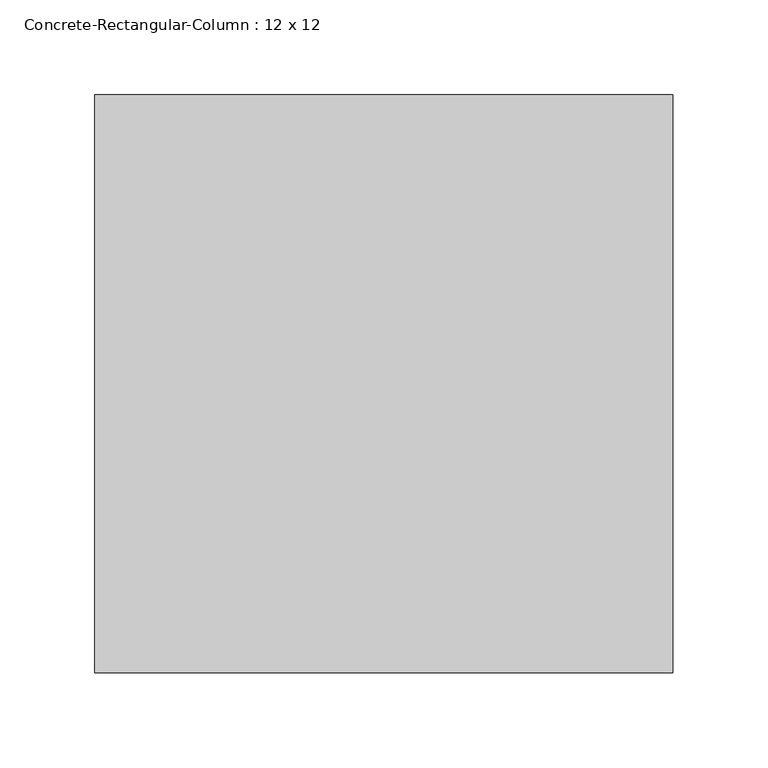
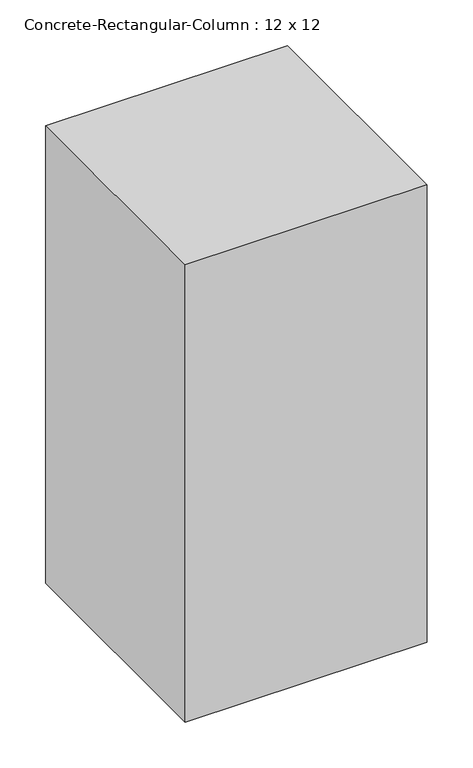
"""IFC4 building model written with IfcOpenShell, lengths in millimetres: column geometry, Concrete-Rectangular-Column : 12 x 12."""

from ifc_helpers import new_model, si_unit, frame, origin, place, context, project, spatial, polyline, outline, extrude, source, transform, mapped, element, save


def concrete_rectangular_column_12_x_12_7e535e1b(model_context):
    return source(origin(), model_context, "Body", "SweptSolid", [
        extrude(outline(polyline([(152.4, 152.4), (152.4, -152.4), (-152.4, -152.4), (-152.4, 152.4), (152.4, 152.4)])), frame((0.0, 0.0, -3435.35), z_axis=(0.0, 0.0, 1.0), x_axis=(1.0, 0.0, 0.0)), (0.0, 0.0, 1.0), 609.6),
    ])


if __name__ == "__main__":
    model = new_model("IFC4")
    model_context = context("Model", 3, world=origin())
    ifc_project = project(units=[si_unit("LENGTHUNIT", "METRE", prefix="MILLI")], contexts=[model_context])
    site = spatial("IfcSite", under=ifc_project)
    building = spatial("IfcBuilding", under=site)
    placement = place(None, origin())
    concrete_rectangular_column_12_x_12_shape = concrete_rectangular_column_12_x_12_7e535e1b(model_context)
    element("IfcColumn", 1, ObjectType="Concrete-Rectangular-Column : 12 x 12", at=placement, inside=building, context=model_context, shape_type="MappedRepresentation", body=[
        mapped(concrete_rectangular_column_12_x_12_shape, transform((0.0, 0.0, 0.0), x_axis=(1.0, 0.0, 0.0), y_axis=(0.0, 1.0, 0.0), z_axis=(0.0, 0.0, 1.0))),
    ])
    save(model, "model.ifc")
